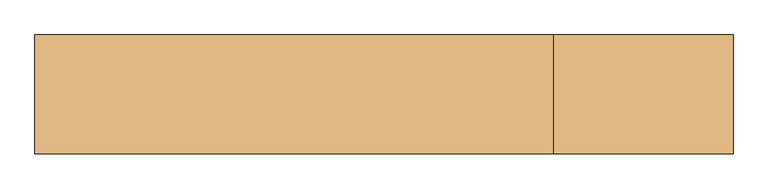
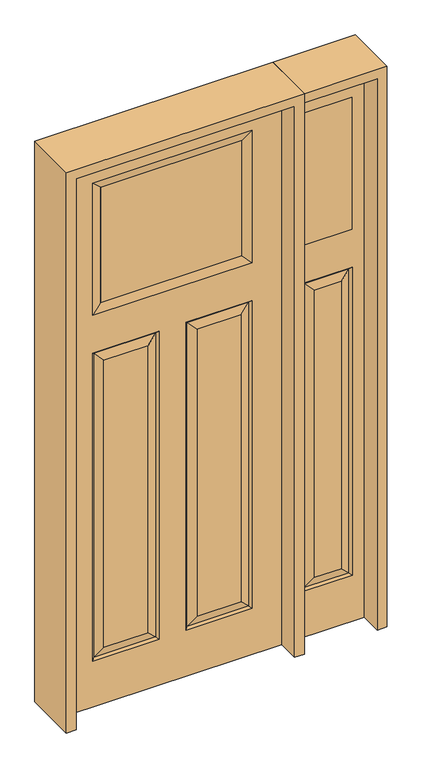
"""IFC4 building model written with IfcOpenShell, lengths in millimetres: door geometry."""

from ifc_helpers import new_model, si_unit, frame, origin, place, context, project, spatial, polyline, outline, extrude, faceted_brep, source, transform, mapped, element, save


def door_f36db1db(model_context):
    return source(origin(), model_context, "Body", "SolidModel", [
        faceted_brep([(498.475, 20.6375, 0.0), (803.275, 20.6375, 0.0), (803.275, -20.6375, 0.0), (498.475, -20.6375, 0.0), (498.475, 20.6375, 2438.4), (498.475, -20.6375, 2438.4), (803.275, -20.6375, 2438.4), (752.602, -20.6375, 203.073), (549.148, -20.6375, 203.073), (549.148, -20.6375, 1565.3027812), (752.602, -20.6375, 1565.3027812), (752.475, -20.6375, 2317.75), (752.475, -20.6375, 1733.55), (549.275, -20.6375, 1733.55), (549.275, -20.6375, 2317.75), (706.5645, -20.6375, 1519.2652813), (595.1855, -20.6375, 1519.2652813), (595.1855, -20.6375, 249.1105), (706.5645, -20.6375, 249.1105), (803.275, 20.6375, 2438.4), (752.602, 20.6375, 1565.3027812), (549.148, 20.6375, 1565.3027812), (549.148, 20.6375, 203.073), (752.602, 20.6375, 203.073), (549.275, 20.6375, 2317.75), (549.275, 20.6375, 1733.55), (752.475, 20.6375, 1733.55), (752.475, 20.6375, 2317.75), (706.5645, 20.6375, 249.1105), (595.1855, 20.6375, 249.1105), (595.1855, 20.6375, 1519.2652812), (706.5645, 20.6375, 1519.2652812), (743.6217439, 11.6572439, 1556.3225251), (743.6217439, 11.6572439, 212.0532561), (558.1282561, 11.6572439, 212.0532561), (558.1282561, 11.6572439, 1556.3225251), (743.6217439, -11.6572439, 1556.3225251), (743.6217439, -11.6572439, 212.0532561), (558.1282561, -11.6572439, 212.0532561), (558.1282561, -11.6572439, 1556.3225251)], [[[0, 1, 2, 3]], [[4, 0, 3, 5]], [[5, 3, 2, 6], [7, 8, 9, 10], [11, 12, 13, 14]], [[15, 16, 17, 18]], [[6, 2, 1, 19]], [[19, 1, 0, 4], [20, 21, 22, 23], [24, 25, 26, 27]], [[28, 29, 30, 31]], [[32, 20, 23, 33]], [[23, 22, 34, 33]], [[22, 21, 35, 34]], [[33, 28, 31, 32]], [[34, 35, 30, 29]], [[33, 34, 29, 28]], [[36, 15, 18, 37]], [[18, 17, 38, 37]], [[17, 16, 39, 38]], [[37, 7, 10, 36]], [[38, 39, 9, 8]], [[37, 38, 8, 7]], [[4, 5, 6, 19]], [[36, 39, 16, 15]], [[10, 9, 39, 36]], [[32, 35, 21, 20]], [[31, 30, 35, 32]], [[11, 14, 24, 27]], [[27, 26, 12, 11]], [[26, 25, 13, 12]], [[14, 13, 25, 24]]]),
        extrude(outline(polyline([(549.275, -20.6375), (549.275, 20.6375), (752.475, 20.6375), (752.475, -20.6375), (549.275, -20.6375)])), frame((0.0, 0.0, 1733.55), z_axis=(0.0, 0.0, 1.0), x_axis=(1.0, 0.0, 0.0)), (0.0, 0.0, 1.0), 584.2),
        faceted_brep([(-457.2, -20.6375, 2438.4), (-457.2, 20.6375, 2438.4), (-457.2, 20.6375, 0.0), (-457.2, -20.6375, 0.0), (287.4645, 20.6375, 1519.2652812), (287.4645, 20.6375, 249.1105), (102.9612813, 20.6375, 249.1105), (102.9612813, 20.6375, 1519.2652812), (-287.4645, 20.6375, 249.1105), (-287.4645, 20.6375, 1519.2652812), (-102.9612813, 20.6375, 1519.2652812), (-102.9612813, 20.6375, 249.1105), (457.2, 20.6375, 2438.4), (457.2, 20.6375, 0.0), (333.502, 20.6375, 203.073), (333.502, 20.6375, 1565.3027812), (56.9237813, 20.6375, 1565.3027812), (56.9237813, 20.6375, 203.073), (-333.5734375, 20.6375, 1733.3515625), (333.5734375, 20.6375, 1733.3515625), (333.5734375, 20.6375, 2317.9484375), (-333.5734375, 20.6375, 2317.9484375), (-333.502, 20.6375, 1565.3027812), (-333.502, 20.6375, 203.073), (-56.9237813, 20.6375, 203.073), (-56.9237813, 20.6375, 1565.3027812), (-324.5217439, 11.6572439, 1556.3225251), (-324.5217439, 11.6572439, 212.0532561), (-65.9040374, 11.6572439, 212.0532561), (65.9040374, -11.6572439, 212.0532561), (102.9612813, -20.6375, 249.1105), (102.9612812, -20.6375, 1519.2652812), (65.9040374, -11.6572439, 1556.3225251), (-102.9612813, -20.6375, 249.1105), (-65.9040374, -11.6572439, 212.0532561), (-65.9040374, -11.6572439, 1556.3225251), (-102.9612813, -20.6375, 1519.2652812), (-324.5217439, -11.6572439, 212.0532561), (-333.502, -20.6375, 203.073), (-56.9237813, -20.6375, 203.073), (-333.5734375, -20.6375, 1733.3515625), (-296.5161936, -11.6572439, 1770.4088064), (-296.5161936, -11.6572439, 2280.9398438), (-333.5734375, -20.6375, 2317.9484375), (296.5161936, -11.6572439, 1770.4088064), (333.5734375, -20.6375, 1733.3515625), (333.5734375, -20.6375, 2317.9484375), (296.5161936, -11.6572439, 2280.8911936), (324.5217439, -11.6572439, 1556.3225251), (333.502, -20.6375, 1565.3027812), (56.9237813, -20.6375, 1565.3027812), (296.5161936, 11.6572439, 2280.9398438), (-296.5161936, 11.6690335, 2280.9398438), (457.2, -20.6375, 0.0), (457.2, -20.6375, 2438.4), (287.4645, -20.6375, 249.1105), (287.4645, -20.6375, 1519.2652812), (-287.4645, -20.6375, 1519.2652812), (-287.4645, -20.6375, 249.1105), (-333.502, -20.6375, 1565.3027812), (-56.9237813, -20.6375, 1565.3027812), (333.502, -20.6375, 203.073), (56.9237813, -20.6375, 203.073), (324.5217439, 11.6572439, 212.0532561), (65.9040374, 11.6572439, 212.0532561), (324.5217439, -11.6572439, 212.0532561), (-324.5217439, -11.6572439, 1556.3225251), (296.5161936, 11.6572439, 1770.4088064), (324.5217439, 11.6572439, 1556.3225251), (65.9040374, 11.6572439, 1556.3225251), (-65.9040374, 11.6572439, 1556.3225251), (-296.5161936, 11.6572439, 1770.4088064)], [[[0, 1, 2, 3]], [[4, 5, 6, 7]], [[8, 9, 10, 11]], [[1, 12, 13, 2], [14, 15, 16, 17], [18, 19, 20, 21], [22, 23, 24, 25]], [[26, 27, 23, 22]], [[27, 26, 9, 8]], [[27, 8, 11, 28]], [[29, 30, 31, 32]], [[33, 34, 35, 36]], [[37, 38, 39, 34]], [[40, 41, 42, 43]], [[44, 45, 46, 47]], [[48, 49, 50, 32]], [[51, 47, 42, 52]], [[45, 44, 41, 40]], [[13, 53, 3, 2]], [[12, 54, 53, 13]], [[55, 56, 31, 30]], [[57, 58, 33, 36]], [[54, 0, 3, 53], [38, 59, 60, 39], [45, 40, 43, 46], [49, 61, 62, 50]], [[12, 1, 0, 54]], [[63, 14, 17, 64]], [[65, 55, 30, 29]], [[62, 29, 32, 50]], [[37, 66, 59, 38]], [[19, 67, 51, 20]], [[14, 63, 68, 15]], [[64, 17, 16, 69]], [[68, 63, 5, 4]], [[5, 63, 64, 6]], [[6, 64, 69, 7]], [[23, 27, 28, 24]], [[24, 28, 70, 25]], [[28, 11, 10, 70]], [[55, 65, 48, 56]], [[48, 65, 61, 49]], [[61, 65, 29, 62]], [[66, 37, 58, 57]], [[58, 37, 34, 33]], [[34, 39, 60, 35]], [[20, 51, 52, 21]], [[71, 18, 21, 52]], [[47, 46, 43, 42]], [[56, 48, 32, 31]], [[15, 68, 69, 16]], [[68, 4, 7, 69]], [[52, 42, 41, 71]], [[71, 41, 44, 67]], [[47, 51, 67, 44]], [[67, 19, 18, 71]], [[66, 57, 36, 35]], [[59, 66, 35, 60]], [[26, 22, 25, 70]], [[9, 26, 70, 10]]]),
        extrude(outline(polyline([(296.5161936, -11.6572439), (-296.5161936, -11.6572439), (-296.5161936, 11.6572439), (296.5161936, 11.6572439), (296.5161936, -11.6572439)])), frame((0.0, 0.0, 1770.3601562), z_axis=(0.0, 0.0, 1.0), x_axis=(1.0, 0.0, 0.0)), (0.0, 0.0, 1.0), 510.5796875),
        extrude(outline(polyline([(2479.675, -498.475), (0.0, -498.475), (0.0, -457.2), (2438.4, -457.2), (2438.4, 457.2), (0.0, 457.2), (0.0, 498.475), (2479.675, 498.475), (2479.675, -498.475)])), frame((0.0, -114.3, 0.0), z_axis=(0.0, 1.0, 0.0), x_axis=(0.0, 0.0, 1.0)), (0.0, 0.0, 1.0), 228.6),
        extrude(outline(polyline([(0.0, 803.275), (0.0, 844.55), (2479.675, 844.55), (2479.675, 498.475), (2438.4, 498.475), (2438.4, 803.275), (0.0, 803.275)])), frame((0.0, -114.3, 0.0), z_axis=(0.0, 1.0, 0.0), x_axis=(0.0, 0.0, 1.0)), (0.0, 0.0, 1.0), 228.6),
    ])


if __name__ == "__main__":
    model = new_model("IFC4")
    model_context = context("Model", 3, world=origin())
    ifc_project = project(units=[si_unit("LENGTHUNIT", "METRE", prefix="MILLI")], contexts=[model_context])
    site = spatial("IfcSite", under=ifc_project)
    building = spatial("IfcBuilding", under=site)
    placement = place(None, origin())
    door_shape = door_f36db1db(model_context)
    element("IfcDoor", 1, at=placement, inside=building, context=model_context, shape_type="MappedRepresentation", body=[
        mapped(door_shape, transform((0.0, 0.0, 0.0), x_axis=(1.0, 0.0, 0.0), y_axis=(0.0, 1.0, 0.0), z_axis=(0.0, 0.0, 1.0))),
    ])
    save(model, "model.ifc")
